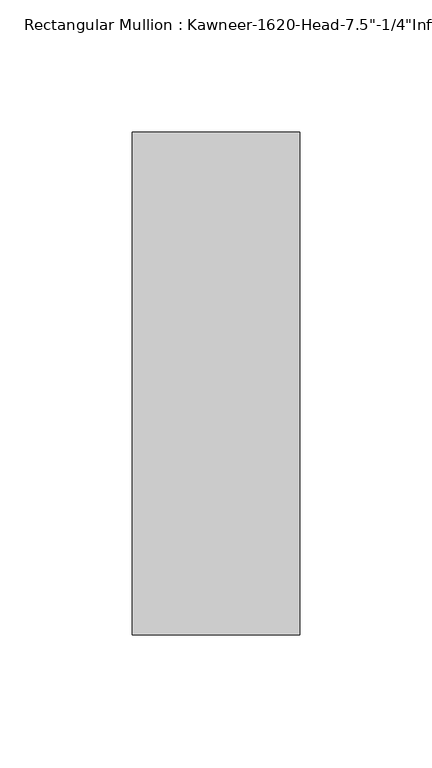
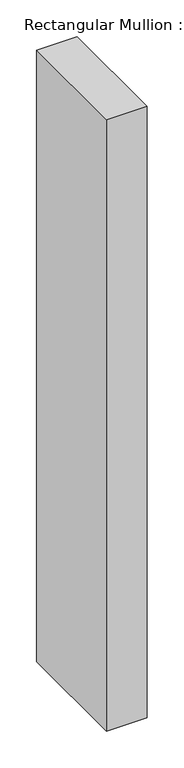
"""IFC4 building model written with IfcOpenShell, lengths in millimetres: member geometry."""

from ifc_helpers import new_model, si_unit, frame, origin, place, context, project, spatial, polyline, outline, extrude, source, transform, mapped, element, save


def member_5d84d970(model_context):
    return source(origin(), model_context, "Body", "SweptSolid", [
        extrude(outline(polyline([(-63.5, 28.575), (0.0, 28.575), (0.0, -161.925), (-63.5, -161.925), (-63.5, 28.575)])), frame((0.0, 0.0, -1015.1317631), z_axis=(0.0, 0.0, 1.0), x_axis=(1.0, 0.0, 0.0)), (0.0, 0.0, 1.0), 1015.1317631),
    ])


if __name__ == "__main__":
    model = new_model("IFC4")
    model_context = context("Model", 3, world=origin())
    ifc_project = project(units=[si_unit("LENGTHUNIT", "METRE", prefix="MILLI")], contexts=[model_context])
    site = spatial("IfcSite", under=ifc_project)
    building = spatial("IfcBuilding", under=site)
    placement = place(None, origin())
    member_shape = member_5d84d970(model_context)
    element("IfcMember", 1, ObjectType="Rectangular Mullion : Kawneer-1620-Head-7.5\"-1/4\"Infill-1C", at=placement, inside=building, context=model_context, shape_type="MappedRepresentation", body=[
        mapped(member_shape, transform((0.0, 0.0, 0.0), x_axis=(1.0, 0.0, 0.0), y_axis=(0.0, 1.0, 0.0), z_axis=(0.0, 0.0, 1.0))),
    ])
    save(model, "model.ifc")
